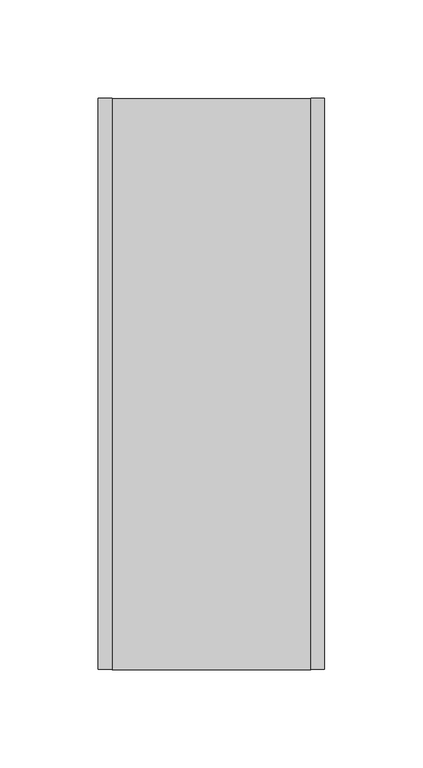
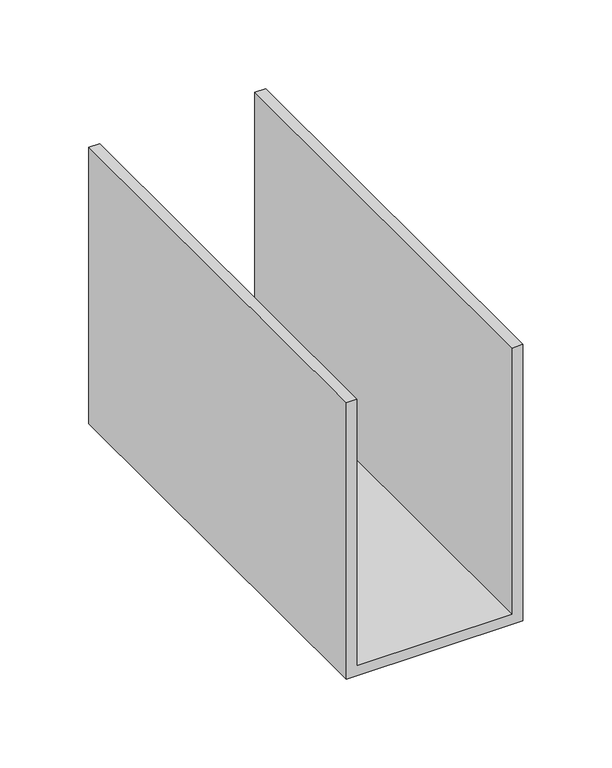
"""IFC4 building model written with IfcOpenShell, lengths in millimetres: proxy geometry."""

from ifc_helpers import new_model, si_unit, frame, origin, place, context, project, spatial, polyline, outline, extrude, source, transform, mapped, element, save


def generic_models_4a26d5ae(model_context):
    return source(origin(), model_context, "Body", "SweptSolid", [
        extrude(outline(polyline([(0.0, 115.0), (190.0, 115.0), (190.0, 108.0), (7.0, 108.0), (7.0, 7.0), (190.0, 7.0), (190.0, 0.0), (0.0, 0.0), (0.0, 115.0)])), frame((0.0, 0.0, 0.0), z_axis=(0.0, 1.0, 0.0), x_axis=(0.0, 0.0, 1.0)), (0.0, 0.0, 1.0), 290.0),
    ])


if __name__ == "__main__":
    model = new_model("IFC4")
    model_context = context("Model", 3, world=origin())
    ifc_project = project(units=[si_unit("LENGTHUNIT", "METRE", prefix="MILLI")], contexts=[model_context])
    site = spatial("IfcSite", under=ifc_project)
    building = spatial("IfcBuilding", under=site)
    placement = place(None, origin())
    generic_models_shape = generic_models_4a26d5ae(model_context)
    element("IfcBuildingElementProxy", 1, Name="Generic Models", at=placement, inside=building, context=model_context, shape_type="MappedRepresentation", body=[
        mapped(generic_models_shape, transform((0.0, 0.0, 0.0), x_axis=(1.0, 0.0, 0.0), y_axis=(0.0, 1.0, 0.0), z_axis=(0.0, 0.0, 1.0))),
    ])
    save(model, "model.ifc")
